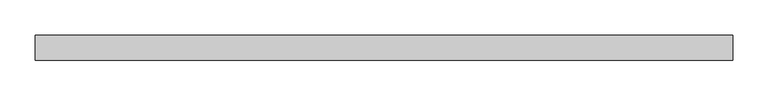
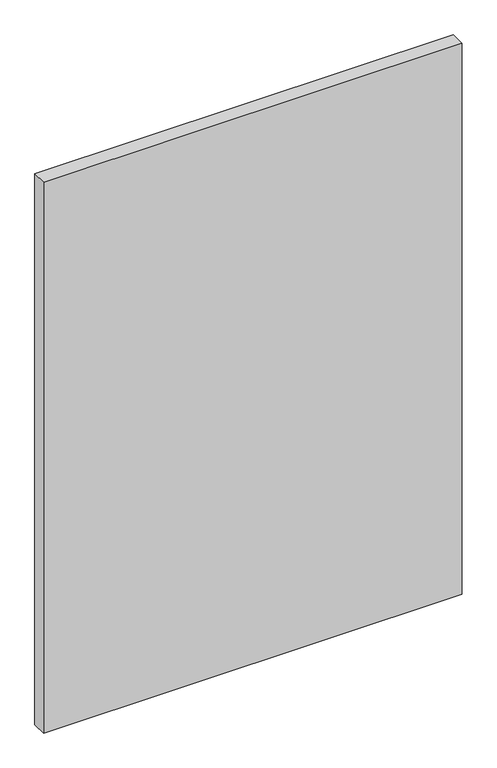
"""IFC4 building model written with IfcOpenShell, lengths in millimetres: plate geometry."""

from ifc_helpers import new_model, si_unit, origin, origin_with_axes, place, context, project, spatial, polyline, outline, extrude, source, transform, mapped, element, save


def plate_891dffee(model_context):
    return source(origin(), model_context, "Body", "SweptSolid", [
        extrude(outline(polyline([(492.46875, -17.5), (-492.46875, -17.5), (-492.46875, 17.5), (492.46875, 17.5), (492.46875, -17.5)])), origin_with_axes(), (0.0, 0.0, 1.0), 1370.0),
    ])


if __name__ == "__main__":
    model = new_model("IFC4")
    model_context = context("Model", 3, world=origin())
    ifc_project = project(units=[si_unit("LENGTHUNIT", "METRE", prefix="MILLI")], contexts=[model_context])
    site = spatial("IfcSite", under=ifc_project)
    building = spatial("IfcBuilding", under=site)
    placement = place(None, origin())
    plate_shape = plate_891dffee(model_context)
    element("IfcPlate", 1, at=placement, inside=building, context=model_context, shape_type="MappedRepresentation", body=[
        mapped(plate_shape, transform((0.0, 0.0, 0.0), x_axis=(1.0, 0.0, 0.0), y_axis=(0.0, 1.0, 0.0), z_axis=(0.0, 0.0, 1.0))),
    ])
    save(model, "model.ifc")
